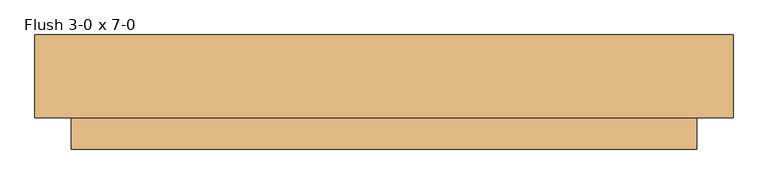
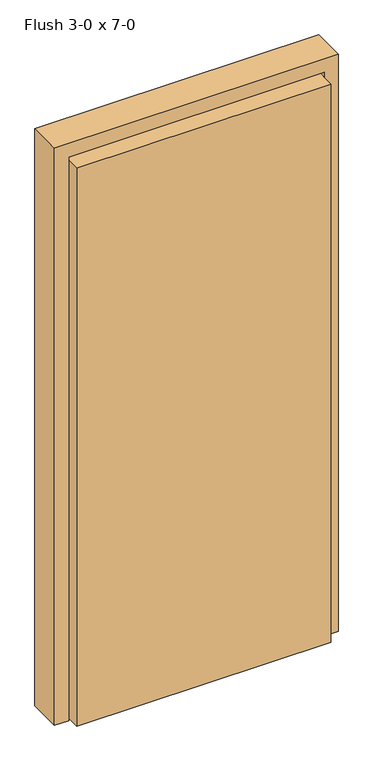
"""IFC4 building model written with IfcOpenShell, lengths in millimetres: door geometry, Flush 3-0 x 7-0."""

from ifc_helpers import new_model, si_unit, frame, origin, place, context, project, spatial, polyline, outline, extrude, source, transform, mapped, element, save


def flush_3_0_x_7_0_33b0fe66(model_context):
    return source(origin(), model_context, "Body", "SweptSolid", [
        extrude(outline(polyline([(0.0, 457.2), (0.0, 508.0), (2184.4, 508.0), (2184.4, -508.0), (0.0, -508.0), (0.0, -457.2), (2133.6, -457.2), (2133.6, 457.2), (0.0, 457.2)])), frame((0.0, -46.0375, 0.0), z_axis=(0.0, 1.0, 0.0), x_axis=(0.0, 0.0, 1.0)), (0.0, 0.0, 1.0), 120.65),
        extrude(outline(polyline([(454.81875, -92.075), (-454.81875, -92.075), (-454.81875, 3.175), (454.81875, 3.175), (454.81875, -92.075)])), frame((0.0, 0.0, 4.7625), z_axis=(0.0, 0.0, 1.0), x_axis=(1.0, 0.0, 0.0)), (0.0, 0.0, 1.0), 2112.9625),
        extrude(outline(polyline([(0.0, 457.2), (2133.6, 457.2), (2133.6, -457.2), (0.0, -457.2), (0.0, -441.325), (2117.725, -441.325), (2117.725, 441.325), (0.0, 441.325), (0.0, 457.2)])), frame((0.0, 3.175, 0.0), z_axis=(0.0, 1.0, 0.0), x_axis=(0.0, 0.0, 1.0)), (0.0, 0.0, 1.0), 22.225),
    ])


if __name__ == "__main__":
    model = new_model("IFC4")
    model_context = context("Model", 3, world=origin())
    ifc_project = project(units=[si_unit("LENGTHUNIT", "METRE", prefix="MILLI")], contexts=[model_context])
    site = spatial("IfcSite", under=ifc_project)
    building = spatial("IfcBuilding", under=site)
    placement = place(None, origin())
    flush_3_0_x_7_0_shape = flush_3_0_x_7_0_33b0fe66(model_context)
    element("IfcDoor", 1, ObjectType="Flush 3-0 x 7-0", at=placement, inside=building, context=model_context, shape_type="MappedRepresentation", body=[
        mapped(flush_3_0_x_7_0_shape, transform((0.0, 0.0, 0.0), x_axis=(1.0, 0.0, 0.0), y_axis=(0.0, 1.0, 0.0), z_axis=(0.0, 0.0, 1.0))),
    ])
    save(model, "model.ifc")
